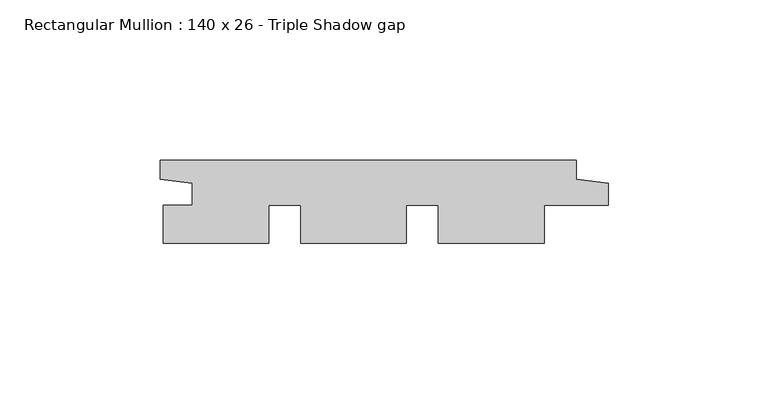
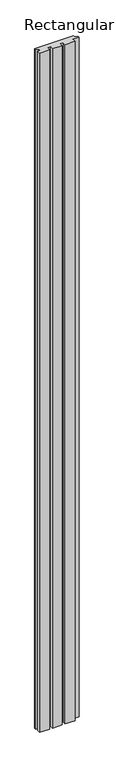
"""IFC4 building model written with IfcOpenShell, lengths in millimetres: member geometry, Rectangular Mullion : 140 x 26 - Triple Shadow gap."""

from ifc_helpers import new_model, si_unit, frame, origin, place, context, project, spatial, polyline, outline, extrude, source, transform, mapped, element, save


def rectangular_mullion_140_x_26_triple_shadow_gap_388d8185(model_context):
    return source(origin(), model_context, "Body", "SweptSolid", [
        extrude(outline(polyline([(-140.0, -6.0), (-140.0, 0.0), (-10.0, 0.0), (-10.0, -6.0), (0.0, -7.2278456), (0.0, -14.1804285), (-20.0, -14.1804285), (-20.0, -26.0), (-53.0, -26.0), (-53.0, -14.1804285), (-63.0, -14.1804285), (-63.0, -26.0), (-96.0, -26.0), (-96.0, -14.1804285), (-106.0, -14.1804285), (-106.0, -26.0), (-139.0, -26.0), (-139.0, -14.1804285), (-130.0, -14.1804285), (-130.0, -7.2278456), (-140.0, -6.0)])), frame((0.0, 0.0, -2400.0), z_axis=(0.0, 0.0, 1.0), x_axis=(1.0, 0.0, 0.0)), (0.0, 0.0, 1.0), 2400.0),
    ])


if __name__ == "__main__":
    model = new_model("IFC4")
    model_context = context("Model", 3, world=origin())
    ifc_project = project(units=[si_unit("LENGTHUNIT", "METRE", prefix="MILLI")], contexts=[model_context])
    site = spatial("IfcSite", under=ifc_project)
    building = spatial("IfcBuilding", under=site)
    placement = place(None, origin())
    rectangular_mullion_140_x_26_triple_shadow_gap_shape = rectangular_mullion_140_x_26_triple_shadow_gap_388d8185(model_context)
    element("IfcMember", 1, ObjectType="Rectangular Mullion : 140 x 26 - Triple Shadow gap", at=placement, inside=building, context=model_context, shape_type="MappedRepresentation", body=[
        mapped(rectangular_mullion_140_x_26_triple_shadow_gap_shape, transform((0.0, 0.0, 0.0), x_axis=(1.0, 0.0, 0.0), y_axis=(0.0, 1.0, 0.0), z_axis=(0.0, 0.0, 1.0))),
    ])
    save(model, "model.ifc")
